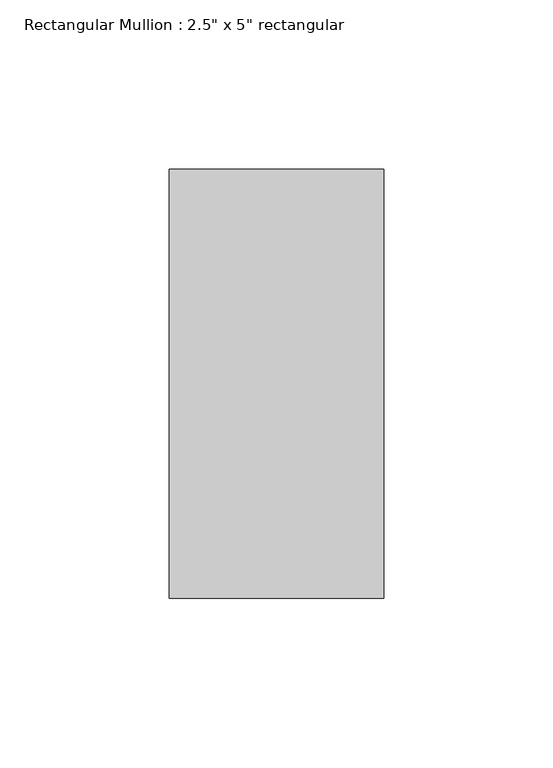
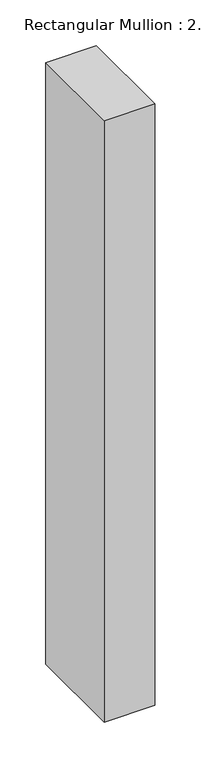
"""IFC4 building model written with IfcOpenShell, lengths in millimetres: member geometry."""

from ifc_helpers import new_model, si_unit, frame, origin, place, context, project, spatial, polyline, outline, extrude, source, transform, mapped, element, save


def member_9ed79a97(model_context):
    return source(origin(), model_context, "Body", "SweptSolid", [
        extrude(outline(polyline([(0.0, 63.5), (0.0, -63.5), (-63.5, -63.5), (-63.5, 63.5), (0.0, 63.5)])), frame((0.0, 0.0, -800.0), z_axis=(0.0, 0.0, 1.0), x_axis=(1.0, 0.0, 0.0)), (0.0, 0.0, 1.0), 800.0),
    ])


if __name__ == "__main__":
    model = new_model("IFC4")
    model_context = context("Model", 3, world=origin())
    ifc_project = project(units=[si_unit("LENGTHUNIT", "METRE", prefix="MILLI")], contexts=[model_context])
    site = spatial("IfcSite", under=ifc_project)
    building = spatial("IfcBuilding", under=site)
    placement = place(None, origin())
    member_shape = member_9ed79a97(model_context)
    element("IfcMember", 1, ObjectType="Rectangular Mullion : 2.5\" x 5\" rectangular", at=placement, inside=building, context=model_context, shape_type="MappedRepresentation", body=[
        mapped(member_shape, transform((0.0, 0.0, 0.0), x_axis=(1.0, 0.0, 0.0), y_axis=(0.0, 1.0, 0.0), z_axis=(0.0, 0.0, 1.0))),
    ])
    save(model, "model.ifc")
